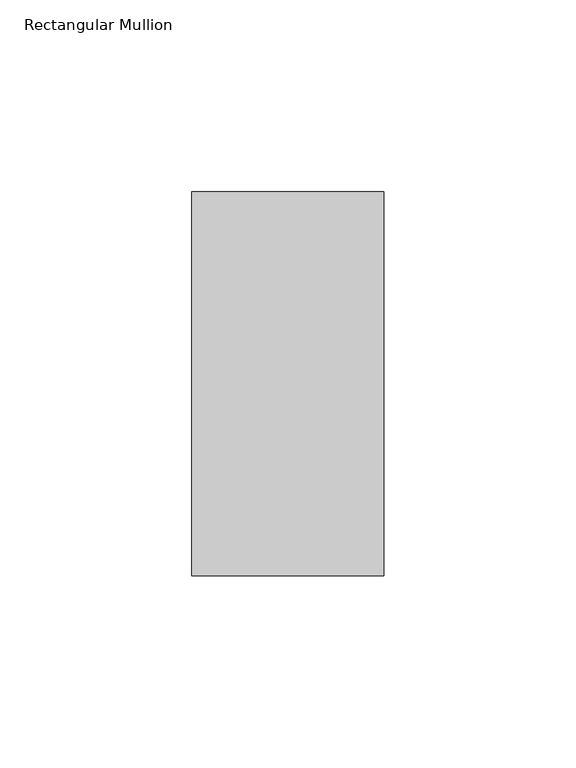
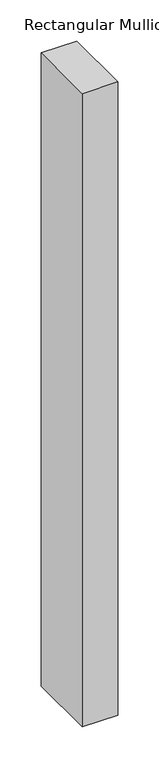
"""IFC4 building model written with IfcOpenShell, lengths in millimetres: member geometry, Rectangular Mullion."""

from ifc_helpers import new_model, si_unit, frame, origin, place, context, project, spatial, polyline, outline, extrude, source, transform, mapped, element, save


def rectangular_mullion_31fcbbc8(model_context):
    return source(origin(), model_context, "Body", "SweptSolid", [
        extrude(outline(polyline([(0.0, 69.0), (0.0, -31.0), (-50.0, -31.0), (-50.0, 69.0), (0.0, 69.0)])), frame((0.0, 0.0, -940.0), z_axis=(0.0, 0.0, 1.0), x_axis=(1.0, 0.0, 0.0)), (0.0, 0.0, 1.0), 940.0),
    ])


if __name__ == "__main__":
    model = new_model("IFC4")
    model_context = context("Model", 3, world=origin())
    ifc_project = project(units=[si_unit("LENGTHUNIT", "METRE", prefix="MILLI")], contexts=[model_context])
    site = spatial("IfcSite", under=ifc_project)
    building = spatial("IfcBuilding", under=site)
    placement = place(None, origin())
    rectangular_mullion_shape = rectangular_mullion_31fcbbc8(model_context)
    element("IfcMember", 1, ObjectType="Rectangular Mullion", at=placement, inside=building, context=model_context, shape_type="MappedRepresentation", body=[
        mapped(rectangular_mullion_shape, transform((0.0, 0.0, 0.0), x_axis=(1.0, 0.0, 0.0), y_axis=(0.0, 1.0, 0.0), z_axis=(0.0, 0.0, 1.0))),
    ])
    save(model, "model.ifc")
